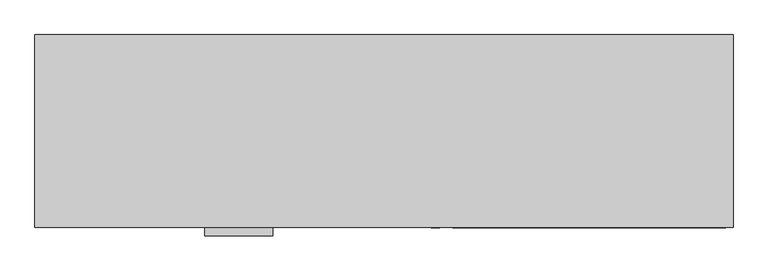
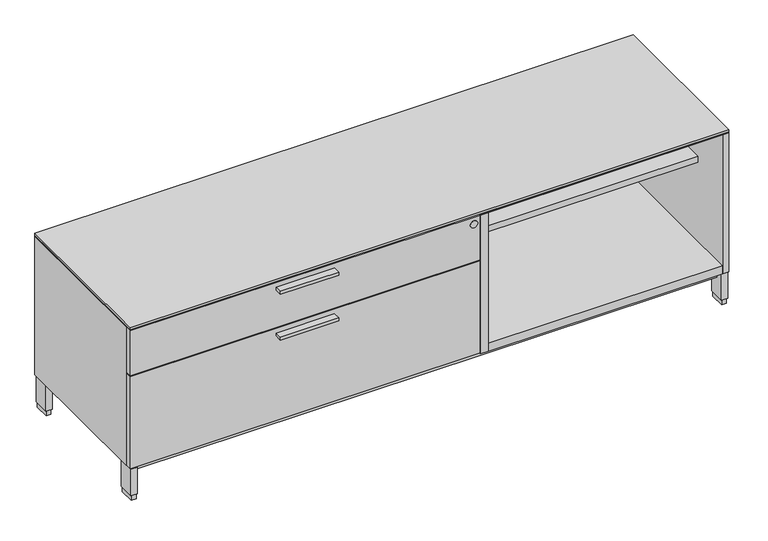
"""IFC4 building model written with IfcOpenShell, lengths in millimetres: furniture geometry."""

from ifc_helpers import new_model, si_unit, point, frame, frame_2d, origin, origin_with_axes, place, context, project, spatial, polyline, circle_curve, trimmed, segment, composite_curve, outline, extrude, source, transform, mapped, element, save


def furniture_179297e9(model_context):
    return source(origin(), model_context, "Body", "SweptSolid", [
        extrude(outline(polyline([(623.8875, -528.574), (446.0875, -528.574), (446.0875, -506.349), (623.8875, -506.349), (623.8875, -528.574)])), frame((0.0, 0.0, 379.09246), z_axis=(0.0, 0.0, 1.0), x_axis=(1.0, 0.0, 0.0)), (0.0, 0.0, 1.0), 9.525),
        extrude(outline(polyline([(623.8875, -528.574), (446.0875, -528.574), (446.0875, -506.349), (623.8875, -506.349), (623.8875, -528.574)])), frame((0.0, 0.0, 526.53946), z_axis=(0.0, 0.0, 1.0), x_axis=(1.0, 0.0, 0.0)), (0.0, 0.0, 1.0), 9.525),
        extrude(outline(polyline([(1.5875, -1.524), (1827.2125, -1.524), (1827.2125, -506.349), (1068.3875, -506.349), (1068.3875, -487.172), (1.5875, -487.172), (1.5875, -1.524)])), frame((0.0, 0.0, 550.8752), z_axis=(0.0, 0.0, 1.0), x_axis=(1.0, 0.0, 0.0)), (0.0, 0.0, 1.0), 1.5875),
        extrude(outline(polyline([(1093.7875, -20.828), (1807.7815, -20.828), (1807.7815, -375.8184), (1093.7875, -375.8184), (1093.7875, -20.828)])), frame((0.0, 0.0, 383.0828), z_axis=(0.0, 0.0, 1.0), x_axis=(1.0, 0.0, 0.0)), (0.0, 0.0, 1.0), 20.3454),
        extrude(outline(polyline([(1068.3875, -20.828), (1093.7875, -20.828), (1093.7875, -506.349), (1068.3875, -506.349), (1068.3875, -20.828)])), frame((0.0, 0.0, 103.2002), z_axis=(0.0, 0.0, 1.0), x_axis=(1.0, 0.0, 0.0)), (0.0, 0.0, 1.0), 447.675),
        extrude(outline(polyline([(21.2979, -5.715), (21.2979, -52.197), (6.5659, -52.197), (6.5659, -5.715), (21.2979, -5.715)])), origin_with_axes(), (0.0, 0.0, 1.0), 17.399),
        extrude(outline(polyline([(21.2979, -455.676), (21.2979, -502.158), (6.5659, -502.158), (6.5659, -455.676), (21.2979, -455.676)])), origin_with_axes(), (0.0, 0.0, 1.0), 17.399),
        extrude(outline(polyline([(1822.2341, -455.676), (1822.2341, -502.158), (1807.5021, -502.158), (1807.5021, -455.676), (1822.2341, -455.676)])), origin_with_axes(), (0.0, 0.0, 1.0), 17.399),
        extrude(outline(polyline([(1822.2341, -5.715), (1822.2341, -52.197), (1807.5021, -52.197), (1807.5021, -5.715), (1822.2341, -5.715)])), origin_with_axes(), (0.0, 0.0, 1.0), 17.399),
        extrude(outline(polyline([(23.4569, -3.556), (23.4569, -54.356), (4.4069, -54.356), (4.4069, -3.556), (23.4569, -3.556)])), frame((0.0, 0.0, 17.399), z_axis=(0.0, 0.0, 1.0), x_axis=(1.0, 0.0, 0.0)), (0.0, 0.0, 1.0), 85.8012),
        extrude(outline(polyline([(1824.3931, -3.556), (1824.3931, -54.356), (1805.3431, -54.356), (1805.3431, -3.556), (1824.3931, -3.556)])), frame((0.0, 0.0, 17.399), z_axis=(0.0, 0.0, 1.0), x_axis=(1.0, 0.0, 0.0)), (0.0, 0.0, 1.0), 85.8012),
        extrude(outline(polyline([(1824.3931, -453.517), (1824.3931, -504.317), (1805.3431, -504.317), (1805.3431, -453.517), (1824.3931, -453.517)])), frame((0.0, 0.0, 17.399), z_axis=(0.0, 0.0, 1.0), x_axis=(1.0, 0.0, 0.0)), (0.0, 0.0, 1.0), 85.8012),
        extrude(outline(polyline([(23.4569, -453.517), (23.4569, -504.317), (4.4069, -504.317), (4.4069, -453.517), (23.4569, -453.517)])), frame((0.0, 0.0, 17.399), z_axis=(0.0, 0.0, 1.0), x_axis=(1.0, 0.0, 0.0)), (0.0, 0.0, 1.0), 85.8012),
        extrude(outline(polyline([(1805.3431, -26.99766), (1805.3431, -480.87534), (23.4569, -480.87534), (23.4569, -26.99766), (1805.3431, -26.99766)])), frame((0.0, 0.0, 77.8002), z_axis=(0.0, 0.0, 1.0), x_axis=(1.0, 0.0, 0.0)), (0.0, 0.0, 1.0), 25.4),
        extrude(outline(polyline([(1068.3875, -487.172), (1068.3875, -506.349), (1.5875, -506.349), (1.5875, -487.172), (1068.3875, -487.172)])), frame((0.0, 0.0, 106.3752), z_axis=(0.0, 0.0, 1.0), x_axis=(1.0, 0.0, 0.0)), (0.0, 0.0, 1.0), 297.053),
        extrude(outline(polyline([(1068.3875, -487.172), (1068.3875, -506.349), (1.5875, -506.349), (1.5875, -487.172), (1068.3875, -487.172)])), frame((0.0, 0.0, 406.6032), z_axis=(0.0, 0.0, 1.0), x_axis=(1.0, 0.0, 0.0)), (0.0, 0.0, 1.0), 144.272),
        extrude(outline(polyline([(1827.2125, -506.349), (1.5875, -506.349), (1.5875, -1.524), (1827.2125, -1.524), (1827.2125, -506.349)])), frame((0.0, 0.0, 554.0502), z_axis=(0.0, 0.0, 1.0), x_axis=(1.0, 0.0, 0.0)), (0.0, 0.0, 1.0), 6.35),
        extrude(outline(polyline([(1.5875, -1.524), (1827.2125, -1.524), (1827.2125, -506.349), (1807.7815, -506.349), (1807.7815, -20.828), (21.0185, -20.828), (21.0185, -483.2858), (1.5875, -483.2858), (1.5875, -1.524)])), frame((0.0, 0.0, 103.2002), z_axis=(0.0, 0.0, 1.0), x_axis=(1.0, 0.0, 0.0)), (0.0, 0.0, 1.0), 447.675),
        extrude(outline(polyline([(1093.7875, -20.828), (1807.7815, -20.828), (1807.7815, -506.349), (1093.7875, -506.349), (1093.7875, -20.828)])), frame((0.0, 0.0, 103.2002), z_axis=(0.0, 0.0, 1.0), x_axis=(1.0, 0.0, 0.0)), (0.0, 0.0, 1.0), 25.4),
        extrude(outline(composite_curve([segment(trimmed(circle_curve(frame_2d((528.3708, 1049.3375)), 11.176), [point((528.3708, 1060.5135))], [point((528.3708, 1038.1615))], False, "CARTESIAN"), True, "CONTINUOUS"), segment(trimmed(circle_curve(frame_2d((528.3708, 1049.3375)), 11.176), [point((528.3708, 1038.1615))], [point((528.3708, 1060.5135))], False, "CARTESIAN"), True, "CONTINUOUS")], self_intersect=False)), frame((0.0, -506.9614948, 0.0), z_axis=(0.0, 1.0, 0.0), x_axis=(0.0, 0.0, 1.0)), (0.0, 0.0, 1.0), 5.0524148),
    ])


if __name__ == "__main__":
    model = new_model("IFC4")
    model_context = context("Model", 3, world=origin())
    ifc_project = project(units=[si_unit("LENGTHUNIT", "METRE", prefix="MILLI")], contexts=[model_context])
    site = spatial("IfcSite", under=ifc_project)
    building = spatial("IfcBuilding", under=site)
    placement = place(None, origin())
    furniture_shape = furniture_179297e9(model_context)
    element("IfcFurniture", 1, at=placement, inside=building, context=model_context, shape_type="MappedRepresentation", body=[
        mapped(furniture_shape, transform((0.0, 0.0, 0.0), x_axis=(1.0, 0.0, 0.0), y_axis=(0.0, 1.0, 0.0), z_axis=(0.0, 0.0, 1.0))),
    ])
    save(model, "model.ifc")
